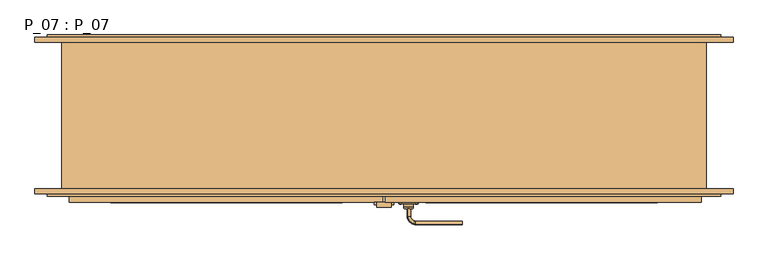
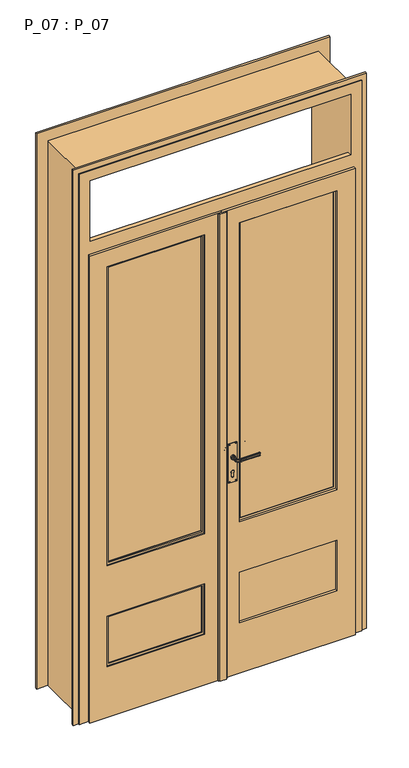
"""IFC4 building model written with IfcOpenShell, lengths in millimetres: door geometry, P_07 : P_07."""

from ifc_helpers import new_model, si_unit, point, frame, frame_2d, origin, origin_with_axes, place, context, project, spatial, polyline, circle_curve, ellipse_curve, trimmed, segment, composite_curve, outline, extrude, faceted_brep, source, transform, mapped, element, save
from ifc_brep_helpers import plane_surface, cylinder_surface, revolved_surface, extruded_surface, advanced_brep


def p_07_p_07_f3d39ce0(model_context):
    return source(origin(), model_context, "Body", "SolidModel", [
        advanced_brep(
        [(48.7372275, -131.5, 1137.25687), (49.5298534, -131.5, 1134.910789), (49.5298534, -131.5, 1125.089211), (48.1368721, -131.5, 1123.0401367), (160.0, -99.7372275, 1137.25687), (160.0, -99.1368721, 1123.0401367), (160.0, -100.5298534, 1125.089211), (160.0, -100.5298534, 1134.910789), (48.1368721, -116.0, 1123.0401367), (48.7372275, -116.0, 1137.25687), (65.0, -99.7372275, 1137.25687), (65.0, -99.1368721, 1123.0401367), (49.5298534, -116.0, 1134.910789), (49.5298534, -116.0, 1125.089211), (65.0, -100.5298534, 1134.910789), (65.0, -100.5298534, 1125.089211)],
        [
            (0, 1, circle_curve(frame((48.9710635, -131.5, 1136.0289365), z_axis=(0.0, -1.0, 0.0), x_axis=(-1.0, 0.0, 0.0)), 1.25)),
            (1, 2, ellipse_curve(frame((50.0, -131.5, 1130.0), z_axis=(0.0, 1.0, 0.0), x_axis=(1.0, 0.0, 0.0)), 2.5, 5.0)),
            (2, 3, circle_curve(frame((48.9710635, -131.5, 1123.9710635), z_axis=(0.0, -1.0, 0.0), x_axis=(-1.0, 0.0, 0.0)), 1.25)),
            (3, 0, ellipse_curve(frame((50.0, -131.5, 1130.0), z_axis=(0.0, -1.0, 0.0), x_axis=(0.0, 0.0, -1.0)), 7.5, 5.0)),
            (4, 5, ellipse_curve(frame((160.0, -101.0, 1130.0), z_axis=(1.0, 0.0, 0.0), x_axis=(0.0, 0.0, -1.0)), 7.5, 5.0)),
            (5, 6, circle_curve(frame((160.0, -99.9710635, 1123.9710635), z_axis=(1.0, 0.0, 0.0), x_axis=(0.0, 1.0, 0.0)), 1.25)),
            (6, 7, ellipse_curve(frame((160.0, -101.0, 1130.0), z_axis=(-1.0, 0.0, 0.0), x_axis=(0.0, -1.0, 0.0)), 2.5, 5.0)),
            (7, 4, circle_curve(frame((160.0, -99.9710635, 1136.0289365), z_axis=(1.0, 0.0, 0.0), x_axis=(0.0, 1.0, 0.0)), 1.25)),
            (3, 8),
            (8, 9, ellipse_curve(frame((50.0, -116.0, 1130.0), z_axis=(0.0, -1.0, 0.0), x_axis=(0.0, 0.0, -1.0)), 7.5, 5.0)),
            (9, 0),
            (10, 11, ellipse_curve(frame((65.0, -101.0, 1130.0), z_axis=(1.0, 0.0, 0.0), x_axis=(0.0, 0.0, -1.0)), 7.5, 5.0)),
            (11, 5),
            (4, 10),
            (9, 12, circle_curve(frame((48.9710635, -116.0, 1136.0289365), z_axis=(0.0, -1.0, 0.0), x_axis=(-1.0, 0.0, 0.0)), 1.25)),
            (12, 1),
            (12, 13, ellipse_curve(frame((50.0, -116.0, 1130.0), z_axis=(0.0, 1.0, 0.0), x_axis=(0.0, 0.0, -1.0)), 5.0, 2.5)),
            (13, 2),
            (13, 8, circle_curve(frame((48.9710635, -116.0, 1123.9710635), z_axis=(0.0, -1.0, 0.0), x_axis=(-1.0, 0.0, 0.0)), 1.25)),
            (14, 10, circle_curve(frame((65.0, -99.9710635, 1136.0289365), z_axis=(1.0, 0.0, 0.0), x_axis=(0.0, 1.0, 0.0)), 1.25)),
            (7, 14),
            (15, 14, ellipse_curve(frame((65.0, -101.0, 1130.0), z_axis=(-1.0, 0.0, 0.0), x_axis=(0.0, 0.0, -1.0)), 5.0, 2.5)),
            (6, 15),
            (11, 15, circle_curve(frame((65.0, -99.9710635, 1123.9710635), z_axis=(1.0, 0.0, 0.0), x_axis=(0.0, 1.0, 0.0)), 1.25)),
            (14, 12, circle_curve(frame((65.0, -116.0, 1134.910789), z_axis=(0.0, 0.0, 1.0), x_axis=(-1.0, 0.0, 0.0)), 15.4701466)),
            (9, 10, circle_curve(frame((65.0, -116.0, 1137.25687), z_axis=(0.0, 0.0, -1.0), x_axis=(-1.0, 0.0, 0.0)), 16.2627725)),
            (15, 13, circle_curve(frame((65.0, -116.0, 1125.089211), z_axis=(0.0, 0.0, 1.0), x_axis=(-1.0, 0.0, 0.0)), 15.4701466)),
            (11, 8, circle_curve(frame((65.0, -116.0, 1123.0401367), z_axis=(0.0, 0.0, 1.0), x_axis=(-1.0, 0.0, 0.0)), 16.8631279)),
        ],
        [
            plane_surface(frame((50.0, -131.5, 0.0), z_axis=(0.0, -1.0, 0.0), x_axis=(0.0, 0.0, 1.0))),
            plane_surface(frame((160.0, -101.0, 0.0), z_axis=(1.0, 0.0, 0.0), x_axis=(0.0, 0.0, 1.0))),
            extruded_surface(trimmed(ellipse_curve(frame((50.0, -116.0, 1130.0), z_axis=(0.0, -1.0, 0.0), x_axis=(0.0, 0.0, -1.0)), 7.5, 5.0), [point((48.1368721, -116.0, 1123.0401367))], [point((48.7372275, -116.0, 1137.25687))], True, "CARTESIAN"), (0.0, -15.5, 0.0), 15.5),
            extruded_surface(trimmed(ellipse_curve(frame((160.0, -101.0, 1130.0), z_axis=(-1.0, 0.0, 0.0), x_axis=(0.0, 0.0, -1.0)), 7.5, 5.0), [point((160.0, -99.1368721, 1123.0401367))], [point((160.0, -99.7372275, 1137.25687))], True, "CARTESIAN"), (-95.0, 0.0, 0.0), 95.0),
            cylinder_surface(frame((48.9710635, -131.5, 1136.0289365), z_axis=(0.0, -1.0, 0.0), x_axis=(-1.0, 0.0, 0.0)), 1.25),
            extruded_surface(trimmed(ellipse_curve(frame((50.0, -116.0, 1130.0), z_axis=(0.0, 1.0, 0.0), x_axis=(1.0, 0.0, 0.0)), 2.5, 5.0), [point((49.5298534, -116.0, 1134.910789))], [point((49.5298534, -116.0, 1125.089211))], True, "CARTESIAN"), (0.0, -15.5, 0.0), 15.5),
            cylinder_surface(frame((48.9710635, -131.5, 1123.9710635), z_axis=(0.0, -1.0, 0.0), x_axis=(-1.0, 0.0, 0.0)), 1.25),
            cylinder_surface(frame((65.0, -99.9710635, 1136.0289365), z_axis=(-1.0, 0.0, 0.0), x_axis=(0.0, 1.0, 0.0)), 1.25),
            extruded_surface(trimmed(ellipse_curve(frame((160.0, -101.0, 1130.0), z_axis=(1.0, 0.0, 0.0), x_axis=(0.0, -1.0, 0.0)), 2.5, 5.0), [point((160.0, -100.5298534, 1134.910789))], [point((160.0, -100.5298534, 1125.089211))], True, "CARTESIAN"), (-95.0, 0.0, 0.0), 95.0),
            cylinder_surface(frame((65.0, -99.9710635, 1123.9710635), z_axis=(-1.0, 0.0, 0.0), x_axis=(0.0, 1.0, 0.0)), 1.25),
            revolved_surface(trimmed(ellipse_curve(frame((48.9710635, -116.0, 1136.0289365), z_axis=(0.0, -1.0, 0.0), x_axis=(-1.0, 0.0, 0.0)), 1.25, 1.25), [point((48.7372275, -116.0, 1137.25687))], [point((49.5298534, -116.0, 1134.910789))], True, "CARTESIAN"), (65.0, -116.0, 0.0), (0.0, 0.0, -1.0)),
            revolved_surface(trimmed(ellipse_curve(frame((50.0, -116.0, 1130.0), z_axis=(0.0, 1.0, 0.0), x_axis=(1.0, 0.0, 0.0)), 2.5, 5.0), [point((49.5298534, -116.0, 1134.910789))], [point((49.5298534, -116.0, 1125.089211))], True, "CARTESIAN"), (65.0, -116.0, 0.0), (0.0, 0.0, -1.0)),
            revolved_surface(trimmed(ellipse_curve(frame((48.9710635, -116.0, 1123.9710635), z_axis=(0.0, -1.0, 0.0), x_axis=(-1.0, 0.0, 0.0)), 1.25, 1.25), [point((49.5298534, -116.0, 1125.089211))], [point((48.1368721, -116.0, 1123.0401367))], True, "CARTESIAN"), (65.0, -116.0, 0.0), (0.0, 0.0, -1.0)),
            revolved_surface(trimmed(ellipse_curve(frame((50.0, -116.0, 1130.0), z_axis=(0.0, -1.0, 0.0), x_axis=(0.0, 0.0, -1.0)), 7.5, 5.0), [point((48.1368721, -116.0, 1123.0401367))], [point((48.7372275, -116.0, 1137.25687))], True, "CARTESIAN"), (65.0, -116.0, 0.0), (0.0, 0.0, -1.0)),
        ],
        [
            (0, [[1, 2, 3, 4]]),
            (1, [[5, 6, 7, 8]]),
            (2, [[-4, 9, 10, 11]]),
            (3, [[12, 13, -5, 14]]),
            (4, [[-1, -11, 15, 16]]),
            (5, [[-2, -16, 17, 18]]),
            (6, [[-3, -18, 19, -9]]),
            (7, [[20, -14, -8, 21]]),
            (8, [[22, -21, -7, 23]]),
            (9, [[24, -23, -6, -13]]),
            (10, [[25, -15, 26, -20]]),
            (11, [[27, -17, -25, -22]]),
            (12, [[28, -19, -27, -24]]),
            (13, [[-26, -10, -28, -12]]),
        ],
    ),
        advanced_brep(
        [(57.5, -131.5, 1130.0), (42.5, -131.5, 1130.0), (50.0, -131.5, 1130.0), (60.0, -134.0, 1130.0), (40.0, -134.0, 1130.0), (60.0, -141.0, 1130.0), (40.0, -141.0, 1130.0), (50.0, -141.0, 1130.0)],
        [
            (0, 1, circle_curve(frame((50.0, -131.5, 1130.0), z_axis=(0.0, 1.0, 0.0), x_axis=(-1.0, 0.0, 0.0)), 7.5)),
            (1, 2),
            (2, 0),
            (1, 0, circle_curve(frame((50.0, -131.5, 1130.0), z_axis=(0.0, 1.0, 0.0), x_axis=(-1.0, 0.0, 0.0)), 7.5)),
            (3, 4, circle_curve(frame((50.0, -134.0, 1130.0), z_axis=(0.0, 1.0, 0.0), x_axis=(-1.0, 0.0, 0.0)), 10.0)),
            (4, 1, circle_curve(frame((42.5, -134.0, 1130.0), z_axis=(0.0, 0.0, -1.0), x_axis=(1.0, 0.0, 0.0)), 2.5)),
            (0, 3, circle_curve(frame((57.5, -134.0, 1130.0), z_axis=(0.0, 0.0, -1.0), x_axis=(-1.0, 0.0, 0.0)), 2.5)),
            (4, 3, circle_curve(frame((50.0, -134.0, 1130.0), z_axis=(0.0, 1.0, 0.0), x_axis=(-1.0, 0.0, 0.0)), 10.0)),
            (5, 6, circle_curve(frame((50.0, -141.0, 1130.0), z_axis=(0.0, 1.0, 0.0), x_axis=(-1.0, 0.0, 0.0)), 10.0)),
            (6, 4),
            (3, 5),
            (6, 5, circle_curve(frame((50.0, -141.0, 1130.0), z_axis=(0.0, 1.0, 0.0), x_axis=(-1.0, 0.0, 0.0)), 10.0)),
            (7, 6),
            (5, 7),
        ],
        [
            plane_surface(frame((50.0, -131.5, 1130.0), z_axis=(0.0, 1.0, 0.0), x_axis=(-1.0, 0.0, 0.0))),
            revolved_surface(trimmed(ellipse_curve(frame((42.5, -134.0, 1130.0), z_axis=(0.0, 0.0, 1.0), x_axis=(1.0, 0.0, 0.0)), 2.5, 2.5), [point((42.5, -131.5, 1130.0))], [point((40.0, -134.0, 1130.0))], True, "CARTESIAN"), (50.0, -134.0, 1130.0), (0.0, -1.0, 0.0)),
            cylinder_surface(frame((50.0, -134.0, 1130.0), z_axis=(0.0, -1.0, 0.0), x_axis=(-1.0, 0.0, 0.0)), 10.0),
            plane_surface(frame((50.0, -141.0, 1130.0), z_axis=(0.0, -1.0, 0.0), x_axis=(-1.0, 0.0, 0.0))),
        ],
        [
            (0, [[1, 2, 3]]),
            (0, [[4, -3, -2]]),
            (1, [[5, 6, -1, 7]]),
            (1, [[8, -7, -4, -6]]),
            (2, [[9, 10, -5, 11]]),
            (2, [[12, -11, -8, -10]]),
            (3, [[13, -9, 14]]),
            (3, [[-14, -12, -13]]),
        ],
    ),
        advanced_brep(
        [(31.7615156, -141.0, 1004.0384844), (36.2384844, -141.0, 1004.0384844), (34.0, -141.0, 1004.0384844), (34.0, -140.0934411, 1004.0384844)],
        [
            (0, 1, circle_curve(frame((34.0, -141.0, 1004.0384844), z_axis=(0.0, -1.0, 0.0), x_axis=(1.0, 0.0, 0.0)), 2.2384844)),
            (1, 2),
            (2, 0),
            (1, 0, circle_curve(frame((34.0, -141.0, 1004.0384844), z_axis=(0.0, -1.0, 0.0), x_axis=(1.0, 0.0, 0.0)), 2.2384844)),
            (3, 1, circle_curve(frame((34.0, -143.3103648, 1004.0384844), z_axis=(0.0, 0.0, -1.0), x_axis=(0.0, 1.0, 0.0)), 3.2169236)),
            (0, 3, circle_curve(frame((34.0, -143.3103648, 1004.0384844), z_axis=(0.0, 0.0, -1.0), x_axis=(0.0, 1.0, 0.0)), 3.2169236)),
        ],
        [
            plane_surface(frame((34.0, -141.0, 1004.0384844), z_axis=(0.0, -1.0, 0.0), x_axis=(1.0, 0.0, 0.0))),
            revolved_surface(trimmed(ellipse_curve(frame((34.0, -143.3103648, 1004.0384844), z_axis=(0.0, 0.0, 1.0), x_axis=(0.0, 1.0, 0.0)), 3.2169236, 3.2169236), [point((36.2384844, -141.0, 1004.0384844))], [point((34.0, -140.0934411, 1004.0384844))], True, "CARTESIAN"), (34.0, -146.6130164, 1004.0384844), (0.0, 1.0, 0.0)),
        ],
        [
            (0, [[1, 2, 3]]),
            (0, [[4, -3, -2]]),
            (1, [[5, -1, 6]]),
            (1, [[-6, -4, -5]]),
        ],
    ),
        advanced_brep(
        [(66.0, -141.0, 1004.0384844), (63.7615156, -141.0, 1004.0384844), (68.2384844, -141.0, 1004.0384844), (66.0, -140.0934411, 1004.0384844)],
        [
            (0, 1),
            (1, 2, circle_curve(frame((66.0, -141.0, 1004.0384844), z_axis=(0.0, -1.0, 0.0), x_axis=(-1.0, 0.0, 0.0)), 2.2384844)),
            (2, 0),
            (2, 1, circle_curve(frame((66.0, -141.0, 1004.0384844), z_axis=(0.0, -1.0, 0.0), x_axis=(-1.0, 0.0, 0.0)), 2.2384844)),
            (1, 3, circle_curve(frame((66.0, -143.3103648, 1004.0384844), z_axis=(0.0, 0.0, -1.0), x_axis=(0.0, -1.0, 0.0)), 3.2169236)),
            (3, 2, circle_curve(frame((66.0, -143.3103648, 1004.0384844), z_axis=(0.0, 0.0, -1.0), x_axis=(0.0, -1.0, 0.0)), 3.2169236)),
        ],
        [
            plane_surface(frame((66.0, -141.0, 1004.0384844), z_axis=(0.0, -1.0, 0.0), x_axis=(-1.0, 0.0, 0.0))),
            revolved_surface(trimmed(ellipse_curve(frame((66.0, -143.3103648, 1004.0384844), z_axis=(0.0, 0.0, 1.0), x_axis=(0.0, -1.0, 0.0)), 3.2169236, 3.2169236), [point((66.0, -140.0934411, 1004.0384844))], [point((63.7615156, -141.0, 1004.0384844))], True, "CARTESIAN"), (66.0, -146.6130164, 1004.0384844), (0.0, -1.0, 0.0)),
        ],
        [
            (0, [[1, 2, 3]]),
            (0, [[-3, 4, -1]]),
            (1, [[-2, 5, 6]]),
            (1, [[-4, -6, -5]]),
        ],
    ),
        advanced_brep(
        [(31.7615156, -141.0, 1195.9615156), (36.2384844, -141.0, 1195.9615156), (34.0, -141.0, 1195.9615156), (34.0, -140.0934411, 1195.9615156)],
        [
            (0, 1, circle_curve(frame((34.0, -141.0, 1195.9615156), z_axis=(0.0, -1.0, 0.0), x_axis=(1.0, 0.0, 0.0)), 2.2384844)),
            (1, 2),
            (2, 0),
            (1, 0, circle_curve(frame((34.0, -141.0, 1195.9615156), z_axis=(0.0, -1.0, 0.0), x_axis=(1.0, 0.0, 0.0)), 2.2384844)),
            (3, 1, circle_curve(frame((34.0, -143.3103648, 1195.9615156), z_axis=(0.0, 0.0, -1.0), x_axis=(-1.0, 0.0, 0.0)), 3.2169236)),
            (0, 3, circle_curve(frame((34.0, -143.3103648, 1195.9615156), z_axis=(0.0, 0.0, -1.0), x_axis=(1.0, 0.0, 0.0)), 3.2169236)),
        ],
        [
            plane_surface(frame((34.0, -141.0, 1195.9615156), z_axis=(0.0, -1.0, 0.0), x_axis=(1.0, 0.0, 0.0))),
            revolved_surface(trimmed(ellipse_curve(frame((34.0, -143.3103648, 1195.9615156), z_axis=(0.0, 0.0, 1.0), x_axis=(-1.0, 0.0, 0.0)), 3.2169236, 3.2169236), [point((36.2384844, -141.0, 1195.9615156))], [point((34.0, -140.0934411, 1195.9615156))], True, "CARTESIAN"), (34.0, -146.6130164, 1195.9615156), (0.0, 1.0, 0.0)),
        ],
        [
            (0, [[1, 2, 3]]),
            (0, [[4, -3, -2]]),
            (1, [[5, -1, 6]]),
            (1, [[-6, -4, -5]]),
        ],
    ),
        advanced_brep(
        [(66.0, -141.0, 1195.9615156), (63.7615156, -141.0, 1195.9615156), (68.2384844, -141.0, 1195.9615156), (66.0, -140.0934411, 1195.9615156)],
        [
            (0, 1),
            (1, 2, circle_curve(frame((66.0, -141.0, 1195.9615156), z_axis=(0.0, -1.0, 0.0), x_axis=(-1.0, 0.0, 0.0)), 2.2384844)),
            (2, 0),
            (2, 1, circle_curve(frame((66.0, -141.0, 1195.9615156), z_axis=(0.0, -1.0, 0.0), x_axis=(-1.0, 0.0, 0.0)), 2.2384844)),
            (1, 3, circle_curve(frame((66.0, -143.3103648, 1195.9615156), z_axis=(0.0, 0.0, -1.0), x_axis=(1.0, 0.0, 0.0)), 3.2169236)),
            (3, 2, circle_curve(frame((66.0, -143.3103648, 1195.9615156), z_axis=(0.0, 0.0, -1.0), x_axis=(-1.0, 0.0, 0.0)), 3.2169236)),
        ],
        [
            plane_surface(frame((66.0, -141.0, 1195.9615156), z_axis=(0.0, -1.0, 0.0), x_axis=(-1.0, 0.0, 0.0))),
            revolved_surface(trimmed(ellipse_curve(frame((66.0, -143.3103648, 1195.9615156), z_axis=(0.0, 0.0, 1.0), x_axis=(1.0, 0.0, 0.0)), 3.2169236, 3.2169236), [point((66.0, -140.0934411, 1195.9615156))], [point((63.7615156, -141.0, 1195.9615156))], True, "CARTESIAN"), (66.0, -146.6130164, 1195.9615156), (0.0, -1.0, 0.0)),
        ],
        [
            (0, [[1, 2, 3]]),
            (0, [[-3, 4, -1]]),
            (1, [[-2, 5, 6]]),
            (1, [[-4, -6, -5]]),
        ],
    ),
        extrude(outline(composite_curve([segment(trimmed(circle_curve(frame_2d((1196.0, 66.0)), 2.0), [point((1196.0, 68.0))], [point((1196.0, 64.0))], False, "CARTESIAN"), True, "CONTINUOUS"), segment(trimmed(circle_curve(frame_2d((1196.0, 66.0)), 2.0), [point((1196.0, 64.0))], [point((1196.0, 68.0))], False, "CARTESIAN"), True, "CONTINUOUS")], self_intersect=False)), frame((0.0, -144.0, 0.0), z_axis=(0.0, 1.0, 0.0), x_axis=(0.0, 0.0, 1.0)), (0.0, 0.0, 1.0), 3.0),
        extrude(outline(composite_curve([segment(trimmed(circle_curve(frame_2d((1196.0, 34.0)), 2.0), [point((1196.0, 32.0))], [point((1196.0, 36.0))], False, "CARTESIAN"), True, "CONTINUOUS"), segment(trimmed(circle_curve(frame_2d((1196.0, 34.0)), 2.0), [point((1196.0, 36.0))], [point((1196.0, 32.0))], False, "CARTESIAN"), True, "CONTINUOUS")], self_intersect=False)), frame((0.0, -144.0, 0.0), z_axis=(0.0, 1.0, 0.0), x_axis=(0.0, 0.0, 1.0)), (0.0, 0.0, 1.0), 3.0),
        extrude(outline(composite_curve([segment(trimmed(circle_curve(frame_2d((1004.0, 66.0)), 2.0), [point((1004.0, 64.0))], [point((1004.0, 68.0))], False, "CARTESIAN"), True, "CONTINUOUS"), segment(trimmed(circle_curve(frame_2d((1004.0, 66.0)), 2.0), [point((1004.0, 68.0))], [point((1004.0, 64.0))], False, "CARTESIAN"), True, "CONTINUOUS")], self_intersect=False)), frame((0.0, -144.0, 0.0), z_axis=(0.0, 1.0, 0.0), x_axis=(0.0, 0.0, 1.0)), (0.0, 0.0, 1.0), 3.0),
        extrude(outline(composite_curve([segment(trimmed(circle_curve(frame_2d((1004.0, 34.0)), 2.0), [point((1004.0, 32.0))], [point((1004.0, 36.0))], False, "CARTESIAN"), True, "CONTINUOUS"), segment(trimmed(circle_curve(frame_2d((1004.0, 34.0)), 2.0), [point((1004.0, 36.0))], [point((1004.0, 32.0))], False, "CARTESIAN"), True, "CONTINUOUS")], self_intersect=False)), frame((0.0, -144.0, 0.0), z_axis=(0.0, 1.0, 0.0), x_axis=(0.0, 0.0, 1.0)), (0.0, 0.0, 1.0), 3.0),
        extrude(outline(composite_curve([segment(polyline([(1046.9098301, 45.0), (1030.0, 45.0)]), True, "CONTINUOUS"), segment(trimmed(circle_curve(frame_2d((1030.0, 50.0)), 5.0), [point((1030.0, 45.0))], [point((1030.0, 55.0))], False, "CARTESIAN"), True, "CONTINUOUS"), segment(polyline([(1030.0, 55.0), (1046.9098301, 55.0)]), True, "CONTINUOUS"), segment(trimmed(circle_curve(frame_2d((1052.5, 50.0)), 7.5), [point((1046.9098301, 55.0))], [point((1046.9098301, 45.0))], False, "CARTESIAN"), True, "CONTINUOUS")], self_intersect=False)), frame((0.0, -144.0, 0.0), z_axis=(0.0, 1.0, 0.0), x_axis=(0.0, 0.0, 1.0)), (0.0, 0.0, 1.0), 2.0),
        extrude(outline(polyline([(1200.0, 30.0), (1000.0, 30.0), (1000.0, 70.0), (1200.0, 70.0), (1200.0, 30.0)]), holes=[composite_curve([segment(polyline([(1046.9098301, 55.0), (1030.0, 55.0)]), True, "CONTINUOUS"), segment(trimmed(circle_curve(frame_2d((1030.0, 50.0)), 5.0), [point((1030.0, 55.0))], [point((1030.0, 45.0))], True, "CARTESIAN"), True, "CONTINUOUS"), segment(polyline([(1030.0, 45.0), (1046.9098301, 45.0)]), True, "CONTINUOUS"), segment(trimmed(circle_curve(frame_2d((1052.5, 50.0)), 7.5), [point((1046.9098301, 45.0))], [point((1046.9098301, 55.0))], True, "CARTESIAN"), True, "CONTINUOUS")], self_intersect=False), composite_curve([segment(trimmed(circle_curve(frame_2d((1004.0, 66.0)), 2.0), [point((1004.0, 68.0))], [point((1004.0, 64.0))], True, "CARTESIAN"), True, "CONTINUOUS"), segment(trimmed(circle_curve(frame_2d((1004.0, 66.0)), 2.0), [point((1004.0, 64.0))], [point((1004.0, 68.0))], True, "CARTESIAN"), True, "CONTINUOUS")], self_intersect=False), composite_curve([segment(trimmed(circle_curve(frame_2d((1004.0, 34.0)), 2.0), [point((1004.0, 36.0))], [point((1004.0, 32.0))], True, "CARTESIAN"), True, "CONTINUOUS"), segment(trimmed(circle_curve(frame_2d((1004.0, 34.0)), 2.0), [point((1004.0, 32.0))], [point((1004.0, 36.0))], True, "CARTESIAN"), True, "CONTINUOUS")], self_intersect=False), composite_curve([segment(trimmed(circle_curve(frame_2d((1196.0, 66.0)), 2.0), [point((1196.0, 68.0))], [point((1196.0, 64.0))], True, "CARTESIAN"), True, "CONTINUOUS"), segment(trimmed(circle_curve(frame_2d((1196.0, 66.0)), 2.0), [point((1196.0, 64.0))], [point((1196.0, 68.0))], True, "CARTESIAN"), True, "CONTINUOUS")], self_intersect=False), composite_curve([segment(trimmed(circle_curve(frame_2d((1196.0, 34.0)), 2.0), [point((1196.0, 36.0))], [point((1196.0, 32.0))], True, "CARTESIAN"), True, "CONTINUOUS"), segment(trimmed(circle_curve(frame_2d((1196.0, 34.0)), 2.0), [point((1196.0, 32.0))], [point((1196.0, 36.0))], True, "CARTESIAN"), True, "CONTINUOUS")], self_intersect=False)]), frame((0.0, -144.0, 0.0), z_axis=(0.0, 1.0, 0.0), x_axis=(0.0, 0.0, 1.0)), (0.0, 0.0, 1.0), 3.0),
        advanced_brep(
        [(48.7372275, -190.5, 1137.25687), (48.1368721, -190.5, 1123.0401367), (49.5298534, -190.5, 1125.089211), (49.5298534, -190.5, 1134.910789), (160.0, -222.2627725, 1137.25687), (160.0, -221.4701466, 1134.910789), (160.0, -221.4701466, 1125.089211), (160.0, -222.8631279, 1123.0401367), (48.7372275, -206.0, 1137.25687), (48.1368721, -206.0, 1123.0401367), (65.0, -222.2627725, 1137.25687), (65.0, -222.8631279, 1123.0401367), (49.5298534, -206.0, 1134.910789), (49.5298534, -206.0, 1125.089211), (65.0, -221.4701466, 1134.910789), (65.0, -221.4701466, 1125.089211)],
        [
            (0, 1, ellipse_curve(frame((50.0, -190.5, 1130.0), z_axis=(0.0, 1.0, 0.0), x_axis=(0.0, 0.0, -1.0)), 7.5, 5.0)),
            (1, 2, circle_curve(frame((48.9710635, -190.5, 1123.9710635), z_axis=(0.0, 1.0, 0.0), x_axis=(-1.0, 0.0, 0.0)), 1.25)),
            (2, 3, ellipse_curve(frame((50.0, -190.5, 1130.0), z_axis=(0.0, -1.0, 0.0), x_axis=(1.0, 0.0, 0.0)), 2.5, 5.0)),
            (3, 0, circle_curve(frame((48.9710635, -190.5, 1136.0289365), z_axis=(0.0, 1.0, 0.0), x_axis=(-1.0, 0.0, 0.0)), 1.25)),
            (4, 5, circle_curve(frame((160.0, -222.0289365, 1136.0289365), z_axis=(1.0, 0.0, 0.0), x_axis=(0.0, -1.0, 0.0)), 1.25)),
            (5, 6, ellipse_curve(frame((160.0, -221.0, 1130.0), z_axis=(-1.0, 0.0, 0.0), x_axis=(0.0, 1.0, 0.0)), 2.5, 5.0)),
            (6, 7, circle_curve(frame((160.0, -222.0289365, 1123.9710635), z_axis=(1.0, 0.0, 0.0), x_axis=(0.0, -1.0, 0.0)), 1.25)),
            (7, 4, ellipse_curve(frame((160.0, -221.0, 1130.0), z_axis=(1.0, 0.0, 0.0), x_axis=(0.0, 0.0, -1.0)), 7.5, 5.0)),
            (0, 8),
            (8, 9, ellipse_curve(frame((50.0, -206.0, 1130.0), z_axis=(0.0, 1.0, 0.0), x_axis=(0.0, 0.0, -1.0)), 7.5, 5.0)),
            (9, 1),
            (10, 4),
            (7, 11),
            (11, 10, ellipse_curve(frame((65.0, -221.0, 1130.0), z_axis=(1.0, 0.0, 0.0), x_axis=(0.0, 0.0, -1.0)), 7.5, 5.0)),
            (3, 12),
            (12, 8, circle_curve(frame((48.9710635, -206.0, 1136.0289365), z_axis=(0.0, 1.0, 0.0), x_axis=(-1.0, 0.0, 0.0)), 1.25)),
            (2, 13),
            (13, 12, ellipse_curve(frame((50.0, -206.0, 1130.0), z_axis=(0.0, -1.0, 0.0), x_axis=(0.0, 0.0, -1.0)), 5.0, 2.5)),
            (9, 13, circle_curve(frame((48.9710635, -206.0, 1123.9710635), z_axis=(0.0, 1.0, 0.0), x_axis=(-1.0, 0.0, 0.0)), 1.25)),
            (14, 5),
            (10, 14, circle_curve(frame((65.0, -222.0289365, 1136.0289365), z_axis=(1.0, 0.0, 0.0), x_axis=(0.0, -1.0, 0.0)), 1.25)),
            (15, 6),
            (14, 15, ellipse_curve(frame((65.0, -221.0, 1130.0), z_axis=(-1.0, 0.0, 0.0), x_axis=(0.0, 0.0, -1.0)), 5.0, 2.5)),
            (15, 11, circle_curve(frame((65.0, -222.0289365, 1123.9710635), z_axis=(1.0, 0.0, 0.0), x_axis=(0.0, -1.0, 0.0)), 1.25)),
            (10, 8, circle_curve(frame((65.0, -206.0, 1137.25687), z_axis=(0.0, 0.0, -1.0), x_axis=(-1.0, 0.0, 0.0)), 16.2627725)),
            (12, 14, circle_curve(frame((65.0, -206.0, 1134.910789), z_axis=(0.0, 0.0, 1.0), x_axis=(-1.0, 0.0, 0.0)), 15.4701466)),
            (13, 15, circle_curve(frame((65.0, -206.0, 1125.089211), z_axis=(0.0, 0.0, 1.0), x_axis=(-1.0, 0.0, 0.0)), 15.4701466)),
            (9, 11, circle_curve(frame((65.0, -206.0, 1123.0401367), z_axis=(0.0, 0.0, 1.0), x_axis=(-1.0, 0.0, 0.0)), 16.8631279)),
        ],
        [
            plane_surface(frame((50.0, -190.5, 0.0), z_axis=(0.0, 1.0, 0.0), x_axis=(0.0, 0.0, 1.0))),
            plane_surface(frame((160.0, -221.0, 0.0), z_axis=(1.0, 0.0, 0.0), x_axis=(0.0, 0.0, 1.0))),
            extruded_surface(trimmed(ellipse_curve(frame((50.0, -190.5, 1130.0), z_axis=(0.0, -1.0, 0.0), x_axis=(0.0, 0.0, -1.0)), 7.5, 5.0), [point((48.1368721, -190.5, 1123.0401367))], [point((48.7372275, -190.5, 1137.25687))], True, "CARTESIAN"), (0.0, -15.5, 0.0), 15.5),
            extruded_surface(trimmed(ellipse_curve(frame((65.0, -221.0, 1130.0), z_axis=(1.0, 0.0, 0.0), x_axis=(0.0, 0.0, -1.0)), 7.5, 5.0), [point((65.0, -222.8631279, 1123.0401367))], [point((65.0, -222.2627725, 1137.25687))], True, "CARTESIAN"), (95.0, 0.0, 0.0), 95.0),
            cylinder_surface(frame((48.9710635, -190.5, 1136.0289365), z_axis=(0.0, 1.0, 0.0), x_axis=(-1.0, 0.0, 0.0)), 1.25),
            extruded_surface(trimmed(ellipse_curve(frame((50.0, -190.5, 1130.0), z_axis=(0.0, 1.0, 0.0), x_axis=(1.0, 0.0, 0.0)), 2.5, 5.0), [point((49.5298534, -190.5, 1134.910789))], [point((49.5298534, -190.5, 1125.089211))], True, "CARTESIAN"), (0.0, -15.5, 0.0), 15.5),
            cylinder_surface(frame((48.9710635, -190.5, 1123.9710635), z_axis=(0.0, 1.0, 0.0), x_axis=(-1.0, 0.0, 0.0)), 1.25),
            cylinder_surface(frame((65.0, -222.0289365, 1136.0289365), z_axis=(-1.0, 0.0, 0.0), x_axis=(0.0, -1.0, 0.0)), 1.25),
            extruded_surface(trimmed(ellipse_curve(frame((65.0, -221.0, 1130.0), z_axis=(-1.0, 0.0, 0.0), x_axis=(0.0, 1.0, 0.0)), 2.5, 5.0), [point((65.0, -221.4701466, 1134.910789))], [point((65.0, -221.4701466, 1125.089211))], True, "CARTESIAN"), (95.0, 0.0, 0.0), 95.0),
            cylinder_surface(frame((65.0, -222.0289365, 1123.9710635), z_axis=(-1.0, 0.0, 0.0), x_axis=(0.0, -1.0, 0.0)), 1.25),
            revolved_surface(trimmed(ellipse_curve(frame((48.9710635, -206.0, 1136.0289365), z_axis=(0.0, -1.0, 0.0), x_axis=(-1.0, 0.0, 0.0)), 1.25, 1.25), [point((48.7372275, -206.0, 1137.25687))], [point((49.5298534, -206.0, 1134.910789))], True, "CARTESIAN"), (65.0, -206.0, 0.0), (0.0, 0.0, -1.0)),
            revolved_surface(trimmed(ellipse_curve(frame((50.0, -206.0, 1130.0), z_axis=(0.0, 1.0, 0.0), x_axis=(1.0, 0.0, 0.0)), 2.5, 5.0), [point((49.5298534, -206.0, 1134.910789))], [point((49.5298534, -206.0, 1125.089211))], True, "CARTESIAN"), (65.0, -206.0, 0.0), (0.0, 0.0, -1.0)),
            revolved_surface(trimmed(ellipse_curve(frame((48.9710635, -206.0, 1123.9710635), z_axis=(0.0, -1.0, 0.0), x_axis=(-1.0, 0.0, 0.0)), 1.25, 1.25), [point((49.5298534, -206.0, 1125.089211))], [point((48.1368721, -206.0, 1123.0401367))], True, "CARTESIAN"), (65.0, -206.0, 0.0), (0.0, 0.0, -1.0)),
            revolved_surface(trimmed(ellipse_curve(frame((50.0, -206.0, 1130.0), z_axis=(0.0, -1.0, 0.0), x_axis=(0.0, 0.0, -1.0)), 7.5, 5.0), [point((48.1368721, -206.0, 1123.0401367))], [point((48.7372275, -206.0, 1137.25687))], True, "CARTESIAN"), (65.0, -206.0, 0.0), (0.0, 0.0, -1.0)),
        ],
        [
            (0, [[1, 2, 3, 4]]),
            (1, [[5, 6, 7, 8]]),
            (2, [[9, 10, 11, -1]]),
            (3, [[12, -8, 13, 14]]),
            (4, [[15, 16, -9, -4]]),
            (5, [[17, 18, -15, -3]]),
            (6, [[-11, 19, -17, -2]]),
            (7, [[20, -5, -12, 21]]),
            (8, [[22, -6, -20, 23]]),
            (9, [[-13, -7, -22, 24]]),
            (10, [[-21, 25, -16, 26]]),
            (11, [[-23, -26, -18, 27]]),
            (12, [[-24, -27, -19, 28]]),
            (13, [[-14, -28, -10, -25]]),
        ],
    ),
        advanced_brep(
        [(57.5, -190.5, 1130.0), (50.0, -190.5, 1130.0), (42.5, -190.5, 1130.0), (60.0, -188.0, 1130.0), (40.0, -188.0, 1130.0), (60.0, -181.0, 1130.0), (40.0, -181.0, 1130.0), (50.0, -181.0, 1130.0)],
        [
            (0, 1),
            (1, 2),
            (2, 0, circle_curve(frame((50.0, -190.5, 1130.0), z_axis=(0.0, -1.0, 0.0), x_axis=(-1.0, 0.0, 0.0)), 7.5)),
            (0, 2, circle_curve(frame((50.0, -190.5, 1130.0), z_axis=(0.0, -1.0, 0.0), x_axis=(-1.0, 0.0, 0.0)), 7.5)),
            (3, 0, circle_curve(frame((57.5, -188.0, 1130.0), z_axis=(0.0, 0.0, -1.0), x_axis=(-1.0, 0.0, 0.0)), 2.5)),
            (2, 4, circle_curve(frame((42.5, -188.0, 1130.0), z_axis=(0.0, 0.0, -1.0), x_axis=(1.0, 0.0, 0.0)), 2.5)),
            (4, 3, circle_curve(frame((50.0, -188.0, 1130.0), z_axis=(0.0, -1.0, 0.0), x_axis=(-1.0, 0.0, 0.0)), 10.0)),
            (3, 4, circle_curve(frame((50.0, -188.0, 1130.0), z_axis=(0.0, -1.0, 0.0), x_axis=(-1.0, 0.0, 0.0)), 10.0)),
            (5, 3),
            (4, 6),
            (6, 5, circle_curve(frame((50.0, -181.0, 1130.0), z_axis=(0.0, -1.0, 0.0), x_axis=(-1.0, 0.0, 0.0)), 10.0)),
            (5, 6, circle_curve(frame((50.0, -181.0, 1130.0), z_axis=(0.0, -1.0, 0.0), x_axis=(-1.0, 0.0, 0.0)), 10.0)),
            (7, 5),
            (6, 7),
        ],
        [
            plane_surface(frame((50.0, -190.5, 1130.0), z_axis=(0.0, -1.0, 0.0), x_axis=(-1.0, 0.0, 0.0))),
            revolved_surface(trimmed(ellipse_curve(frame((42.5, -188.0, 1130.0), z_axis=(0.0, 0.0, -1.0), x_axis=(1.0, 0.0, 0.0)), 2.5, 2.5), [point((42.5, -190.5, 1130.0))], [point((40.0, -188.0, 1130.0))], True, "CARTESIAN"), (50.0, -188.0, 1130.0), (0.0, 1.0, 0.0)),
            cylinder_surface(frame((50.0, -188.0, 1130.0), z_axis=(0.0, 1.0, 0.0), x_axis=(-1.0, 0.0, 0.0)), 10.0),
            plane_surface(frame((50.0, -181.0, 1130.0), z_axis=(0.0, 1.0, 0.0), x_axis=(-1.0, 0.0, 0.0))),
        ],
        [
            (0, [[1, 2, 3]]),
            (0, [[-2, -1, 4]]),
            (1, [[5, -3, 6, 7]]),
            (1, [[-6, -4, -5, 8]]),
            (2, [[9, -7, 10, 11]]),
            (2, [[-10, -8, -9, 12]]),
            (3, [[13, -11, 14]]),
            (3, [[-14, -12, -13]]),
        ],
    ),
        advanced_brep(
        [(31.7615156, -181.0, 1004.0384844), (34.0, -181.0, 1004.0384844), (36.2384844, -181.0, 1004.0384844), (34.0, -181.9065589, 1004.0384844)],
        [
            (0, 1),
            (1, 2),
            (2, 0, circle_curve(frame((34.0, -181.0, 1004.0384844), z_axis=(0.0, 1.0, 0.0), x_axis=(1.0, 0.0, 0.0)), 2.2384844)),
            (0, 2, circle_curve(frame((34.0, -181.0, 1004.0384844), z_axis=(0.0, 1.0, 0.0), x_axis=(1.0, 0.0, 0.0)), 2.2384844)),
            (3, 0, circle_curve(frame((34.0, -178.6896352, 1004.0384844), z_axis=(0.0, 0.0, -1.0), x_axis=(0.0, -1.0, 0.0)), 3.2169236)),
            (2, 3, circle_curve(frame((34.0, -178.6896352, 1004.0384844), z_axis=(0.0, 0.0, -1.0), x_axis=(0.0, -1.0, 0.0)), 3.2169236)),
        ],
        [
            plane_surface(frame((34.0, -181.0, 1004.0384844), z_axis=(0.0, 1.0, 0.0), x_axis=(1.0, 0.0, 0.0))),
            revolved_surface(trimmed(ellipse_curve(frame((34.0, -178.6896352, 1004.0384844), z_axis=(0.0, 0.0, -1.0), x_axis=(0.0, -1.0, 0.0)), 3.2169236, 3.2169236), [point((36.2384844, -181.0, 1004.0384844))], [point((34.0, -181.9065589, 1004.0384844))], True, "CARTESIAN"), (34.0, -175.3869836, 1004.0384844), (0.0, -1.0, 0.0)),
        ],
        [
            (0, [[1, 2, 3]]),
            (0, [[-2, -1, 4]]),
            (1, [[5, -3, 6]]),
            (1, [[-6, -4, -5]]),
        ],
    ),
        advanced_brep(
        [(66.0, -181.0, 1004.0384844), (68.2384844, -181.0, 1004.0384844), (63.7615156, -181.0, 1004.0384844), (66.0, -181.9065589, 1004.0384844)],
        [
            (0, 1),
            (1, 2, circle_curve(frame((66.0, -181.0, 1004.0384844), z_axis=(0.0, 1.0, 0.0), x_axis=(-1.0, 0.0, 0.0)), 2.2384844)),
            (2, 0),
            (2, 1, circle_curve(frame((66.0, -181.0, 1004.0384844), z_axis=(0.0, 1.0, 0.0), x_axis=(-1.0, 0.0, 0.0)), 2.2384844)),
            (1, 3, circle_curve(frame((66.0, -178.6896352, 1004.0384844), z_axis=(0.0, 0.0, -1.0), x_axis=(0.0, 1.0, 0.0)), 3.2169236)),
            (3, 2, circle_curve(frame((66.0, -178.6896352, 1004.0384844), z_axis=(0.0, 0.0, -1.0), x_axis=(0.0, 1.0, 0.0)), 3.2169236)),
        ],
        [
            plane_surface(frame((66.0, -181.0, 1004.0384844), z_axis=(0.0, 1.0, 0.0), x_axis=(-1.0, 0.0, 0.0))),
            revolved_surface(trimmed(ellipse_curve(frame((66.0, -178.6896352, 1004.0384844), z_axis=(0.0, 0.0, -1.0), x_axis=(0.0, 1.0, 0.0)), 3.2169236, 3.2169236), [point((66.0, -181.9065589, 1004.0384844))], [point((63.7615156, -181.0, 1004.0384844))], True, "CARTESIAN"), (66.0, -175.3869836, 1004.0384844), (0.0, 1.0, 0.0)),
        ],
        [
            (0, [[1, 2, 3]]),
            (0, [[-3, 4, -1]]),
            (1, [[5, 6, -2]]),
            (1, [[-6, -5, -4]]),
        ],
    ),
        advanced_brep(
        [(31.7615156, -181.0, 1195.9615156), (34.0, -181.0, 1195.9615156), (36.2384844, -181.0, 1195.9615156), (34.0, -181.9065589, 1195.9615156)],
        [
            (0, 1),
            (1, 2),
            (2, 0, circle_curve(frame((34.0, -181.0, 1195.9615156), z_axis=(0.0, 1.0, 0.0), x_axis=(1.0, 0.0, 0.0)), 2.2384844)),
            (0, 2, circle_curve(frame((34.0, -181.0, 1195.9615156), z_axis=(0.0, 1.0, 0.0), x_axis=(1.0, 0.0, 0.0)), 2.2384844)),
            (3, 0, circle_curve(frame((34.0, -178.6896352, 1195.9615156), z_axis=(0.0, 0.0, -1.0), x_axis=(1.0, 0.0, 0.0)), 3.2169236)),
            (2, 3, circle_curve(frame((34.0, -178.6896352, 1195.9615156), z_axis=(0.0, 0.0, -1.0), x_axis=(-1.0, 0.0, 0.0)), 3.2169236)),
        ],
        [
            plane_surface(frame((34.0, -181.0, 1195.9615156), z_axis=(0.0, 1.0, 0.0), x_axis=(1.0, 0.0, 0.0))),
            revolved_surface(trimmed(ellipse_curve(frame((34.0, -178.6896352, 1195.9615156), z_axis=(0.0, 0.0, -1.0), x_axis=(-1.0, 0.0, 0.0)), 3.2169236, 3.2169236), [point((36.2384844, -181.0, 1195.9615156))], [point((34.0, -181.9065589, 1195.9615156))], True, "CARTESIAN"), (34.0, -175.3869836, 1195.9615156), (0.0, -1.0, 0.0)),
        ],
        [
            (0, [[1, 2, 3]]),
            (0, [[-2, -1, 4]]),
            (1, [[5, -3, 6]]),
            (1, [[-6, -4, -5]]),
        ],
    ),
        advanced_brep(
        [(66.0, -181.0, 1195.9615156), (68.2384844, -181.0, 1195.9615156), (63.7615156, -181.0, 1195.9615156), (66.0, -181.9065589, 1195.9615156)],
        [
            (0, 1),
            (1, 2, circle_curve(frame((66.0, -181.0, 1195.9615156), z_axis=(0.0, 1.0, 0.0), x_axis=(-1.0, 0.0, 0.0)), 2.2384844)),
            (2, 0),
            (2, 1, circle_curve(frame((66.0, -181.0, 1195.9615156), z_axis=(0.0, 1.0, 0.0), x_axis=(-1.0, 0.0, 0.0)), 2.2384844)),
            (1, 3, circle_curve(frame((66.0, -178.6896352, 1195.9615156), z_axis=(0.0, 0.0, -1.0), x_axis=(-1.0, 0.0, 0.0)), 3.2169236)),
            (3, 2, circle_curve(frame((66.0, -178.6896352, 1195.9615156), z_axis=(0.0, 0.0, -1.0), x_axis=(1.0, 0.0, 0.0)), 3.2169236)),
        ],
        [
            plane_surface(frame((66.0, -181.0, 1195.9615156), z_axis=(0.0, 1.0, 0.0), x_axis=(-1.0, 0.0, 0.0))),
            revolved_surface(trimmed(ellipse_curve(frame((66.0, -178.6896352, 1195.9615156), z_axis=(0.0, 0.0, -1.0), x_axis=(1.0, 0.0, 0.0)), 3.2169236, 3.2169236), [point((66.0, -181.9065589, 1195.9615156))], [point((63.7615156, -181.0, 1195.9615156))], True, "CARTESIAN"), (66.0, -175.3869836, 1195.9615156), (0.0, 1.0, 0.0)),
        ],
        [
            (0, [[1, 2, 3]]),
            (0, [[-3, 4, -1]]),
            (1, [[5, 6, -2]]),
            (1, [[-6, -5, -4]]),
        ],
    ),
        extrude(outline(composite_curve([segment(trimmed(circle_curve(frame_2d((1196.0, 66.0)), 2.0), [point((1196.0, 68.0))], [point((1196.0, 64.0))], False, "CARTESIAN"), True, "CONTINUOUS"), segment(trimmed(circle_curve(frame_2d((1196.0, 66.0)), 2.0), [point((1196.0, 64.0))], [point((1196.0, 68.0))], False, "CARTESIAN"), True, "CONTINUOUS")], self_intersect=False)), frame((0.0, -181.0, 0.0), z_axis=(0.0, 1.0, 0.0), x_axis=(0.0, 0.0, 1.0)), (0.0, 0.0, 1.0), 3.0),
        extrude(outline(composite_curve([segment(trimmed(circle_curve(frame_2d((1196.0, 34.0)), 2.0), [point((1196.0, 32.0))], [point((1196.0, 36.0))], False, "CARTESIAN"), True, "CONTINUOUS"), segment(trimmed(circle_curve(frame_2d((1196.0, 34.0)), 2.0), [point((1196.0, 36.0))], [point((1196.0, 32.0))], False, "CARTESIAN"), True, "CONTINUOUS")], self_intersect=False)), frame((0.0, -181.0, 0.0), z_axis=(0.0, 1.0, 0.0), x_axis=(0.0, 0.0, 1.0)), (0.0, 0.0, 1.0), 3.0),
        extrude(outline(composite_curve([segment(trimmed(circle_curve(frame_2d((1004.0, 66.0)), 2.0), [point((1004.0, 64.0))], [point((1004.0, 68.0))], False, "CARTESIAN"), True, "CONTINUOUS"), segment(trimmed(circle_curve(frame_2d((1004.0, 66.0)), 2.0), [point((1004.0, 68.0))], [point((1004.0, 64.0))], False, "CARTESIAN"), True, "CONTINUOUS")], self_intersect=False)), frame((0.0, -181.0, 0.0), z_axis=(0.0, 1.0, 0.0), x_axis=(0.0, 0.0, 1.0)), (0.0, 0.0, 1.0), 3.0),
        extrude(outline(composite_curve([segment(trimmed(circle_curve(frame_2d((1004.0, 34.0)), 2.0), [point((1004.0, 32.0))], [point((1004.0, 36.0))], False, "CARTESIAN"), True, "CONTINUOUS"), segment(trimmed(circle_curve(frame_2d((1004.0, 34.0)), 2.0), [point((1004.0, 36.0))], [point((1004.0, 32.0))], False, "CARTESIAN"), True, "CONTINUOUS")], self_intersect=False)), frame((0.0, -181.0, 0.0), z_axis=(0.0, 1.0, 0.0), x_axis=(0.0, 0.0, 1.0)), (0.0, 0.0, 1.0), 3.0),
        extrude(outline(composite_curve([segment(polyline([(1046.9098301, 45.0), (1030.0, 45.0)]), True, "CONTINUOUS"), segment(trimmed(circle_curve(frame_2d((1030.0, 50.0)), 5.0), [point((1030.0, 45.0))], [point((1030.0, 55.0))], False, "CARTESIAN"), True, "CONTINUOUS"), segment(polyline([(1030.0, 55.0), (1046.9098301, 55.0)]), True, "CONTINUOUS"), segment(trimmed(circle_curve(frame_2d((1052.5, 50.0)), 7.5), [point((1046.9098301, 55.0))], [point((1046.9098301, 45.0))], False, "CARTESIAN"), True, "CONTINUOUS")], self_intersect=False)), frame((0.0, -180.0, 0.0), z_axis=(0.0, 1.0, 0.0), x_axis=(0.0, 0.0, 1.0)), (0.0, 0.0, 1.0), 2.0),
        extrude(outline(polyline([(1200.0, 30.0), (1000.0, 30.0), (1000.0, 70.0), (1200.0, 70.0), (1200.0, 30.0)]), holes=[composite_curve([segment(polyline([(1046.9098301, 55.0), (1030.0, 55.0)]), True, "CONTINUOUS"), segment(trimmed(circle_curve(frame_2d((1030.0, 50.0)), 5.0), [point((1030.0, 55.0))], [point((1030.0, 45.0))], True, "CARTESIAN"), True, "CONTINUOUS"), segment(polyline([(1030.0, 45.0), (1046.9098301, 45.0)]), True, "CONTINUOUS"), segment(trimmed(circle_curve(frame_2d((1052.5, 50.0)), 7.5), [point((1046.9098301, 45.0))], [point((1046.9098301, 55.0))], True, "CARTESIAN"), True, "CONTINUOUS")], self_intersect=False), composite_curve([segment(trimmed(circle_curve(frame_2d((1004.0, 66.0)), 2.0), [point((1004.0, 68.0))], [point((1004.0, 64.0))], True, "CARTESIAN"), True, "CONTINUOUS"), segment(trimmed(circle_curve(frame_2d((1004.0, 66.0)), 2.0), [point((1004.0, 64.0))], [point((1004.0, 68.0))], True, "CARTESIAN"), True, "CONTINUOUS")], self_intersect=False), composite_curve([segment(trimmed(circle_curve(frame_2d((1004.0, 34.0)), 2.0), [point((1004.0, 36.0))], [point((1004.0, 32.0))], True, "CARTESIAN"), True, "CONTINUOUS"), segment(trimmed(circle_curve(frame_2d((1004.0, 34.0)), 2.0), [point((1004.0, 32.0))], [point((1004.0, 36.0))], True, "CARTESIAN"), True, "CONTINUOUS")], self_intersect=False), composite_curve([segment(trimmed(circle_curve(frame_2d((1196.0, 66.0)), 2.0), [point((1196.0, 68.0))], [point((1196.0, 64.0))], True, "CARTESIAN"), True, "CONTINUOUS"), segment(trimmed(circle_curve(frame_2d((1196.0, 66.0)), 2.0), [point((1196.0, 64.0))], [point((1196.0, 68.0))], True, "CARTESIAN"), True, "CONTINUOUS")], self_intersect=False), composite_curve([segment(trimmed(circle_curve(frame_2d((1196.0, 34.0)), 2.0), [point((1196.0, 36.0))], [point((1196.0, 32.0))], True, "CARTESIAN"), True, "CONTINUOUS"), segment(trimmed(circle_curve(frame_2d((1196.0, 34.0)), 2.0), [point((1196.0, 32.0))], [point((1196.0, 36.0))], True, "CARTESIAN"), True, "CONTINUOUS")], self_intersect=False)]), frame((0.0, -181.0, 0.0), z_axis=(0.0, 1.0, 0.0), x_axis=(0.0, 0.0, 1.0)), (0.0, 0.0, 1.0), 3.0),
        faceted_brep([(715.0, -150.0, 0.0), (715.0, -160.0, 0.0), (690.0, -160.0, 0.0), (690.0, -165.0, 0.0), (636.0, -165.0, 0.0), (636.0, 165.0, 0.0), (690.0, 165.0, 0.0), (690.0, 160.0, 0.0), (715.0, 160.0, 0.0), (715.0, 150.0, 0.0), (660.0, 150.0, 0.0), (660.0, -150.0, 0.0), (660.0, -150.0, 2805.0), (-660.0, -150.0, 2805.0), (-660.0, -150.0, 0.0), (-715.0, -150.0, 0.0), (-715.0, -150.0, 2860.0), (715.0, -150.0, 2860.0), (660.0, 150.0, 2805.0), (715.0, 150.0, 2860.0), (-715.0, 150.0, 2860.0), (-715.0, 150.0, 0.0), (-660.0, 150.0, 0.0), (-660.0, 150.0, 2805.0), (715.0, 160.0, 2860.0), (690.0, 160.0, 2835.0), (-690.0, 160.0, 2835.0), (-690.0, 160.0, 0.0), (-715.0, 160.0, 0.0), (-715.0, 160.0, 2860.0), (690.0, 165.0, 2835.0), (636.0, 165.0, 2781.0), (-636.0, 165.0, 2781.0), (-636.0, 165.0, 0.0), (-690.0, 165.0, 0.0), (-690.0, 165.0, 2835.0), (636.0, -165.0, 2391.0), (636.0, -144.0, 2391.0), (636.0, -144.0, 2470.0), (636.0, -165.0, 2470.0), (636.0, -165.0, 2781.0), (690.0, -165.0, 2835.0), (-690.0, -165.0, 2835.0), (-690.0, -165.0, 0.0), (-636.0, -165.0, 0.0), (-636.0, -165.0, 2391.0), (-636.0, -165.0, 2781.0), (-636.0, -165.0, 2470.0), (690.0, -160.0, 2835.0), (715.0, -160.0, 2860.0), (-715.0, -160.0, 2860.0), (-715.0, -160.0, 0.0), (-690.0, -160.0, 0.0), (-690.0, -160.0, 2835.0), (-636.0, -144.0, 2470.0), (-636.0, -144.0, 2391.0)], [[[0, 1, 2, 3, 4, 5, 6, 7, 8, 9, 10, 11]], [[11, 12, 13, 14, 15, 16, 17, 0]], [[10, 18, 12, 11]], [[9, 19, 20, 21, 22, 23, 18, 10]], [[8, 24, 19, 9]], [[7, 25, 26, 27, 28, 29, 24, 8]], [[6, 30, 25, 7]], [[5, 31, 32, 33, 34, 35, 30, 6]], [[4, 36, 37, 38, 39, 40, 31, 5]], [[3, 41, 42, 43, 44, 45, 36, 4], [46, 40, 39, 47]], [[2, 48, 41, 3]], [[1, 49, 50, 51, 52, 53, 48, 2]], [[0, 17, 49, 1]], [[15, 51, 50, 16]], [[14, 22, 21, 28, 27, 34, 33, 44, 43, 52, 51, 15]], [[13, 23, 22, 14]], [[43, 42, 53, 52]], [[46, 47, 54, 55, 45, 44, 33, 32]], [[27, 26, 35, 34]], [[21, 20, 29, 28]], [[16, 50, 49, 17]], [[12, 18, 23, 13]], [[40, 46, 32, 31]], [[54, 47, 39, 38]], [[55, 54, 38, 37]], [[45, 55, 37, 36]], [[41, 48, 53, 42]], [[19, 24, 29, 20]], [[25, 30, 35, 26]]]),
        extrude(outline(polyline([(260.0, -560.0), (260.0, -85.0), (520.0, -85.0), (520.0, -560.0), (260.0, -560.0)]), holes=[polyline([(510.0, -95.0), (270.0, -95.0), (270.0, -550.0), (510.0, -550.0), (510.0, -95.0)])]), frame((0.0, -156.0, 0.0), z_axis=(0.0, 1.0, 0.0), x_axis=(0.0, 0.0, 1.0)), (0.0, 0.0, 1.0), 6.0),
        extrude(outline(polyline([(2320.0, -85.0), (2320.0, -560.0), (780.0, -560.0), (780.0, -85.0), (2320.0, -85.0)]), holes=[polyline([(2310.0, -95.0), (790.0, -95.0), (790.0, -550.0), (2310.0, -550.0), (2310.0, -95.0)])]), frame((0.0, -156.0, 0.0), z_axis=(0.0, 1.0, 0.0), x_axis=(0.0, 0.0, 1.0)), (0.0, 0.0, 1.0), 6.0),
        extrude(outline(polyline([(0.0, 635.0), (2390.0, 635.0), (2390.0, 2.5), (0.0, 2.5), (0.0, 635.0)]), holes=[polyline([(780.0, 85.0), (2320.0, 85.0), (2320.0, 560.0), (780.0, 560.0), (780.0, 85.0)]), polyline([(260.0, 85.0), (520.0, 85.0), (520.0, 560.0), (260.0, 560.0), (260.0, 85.0)])]), frame((0.0, -156.0, 0.0), z_axis=(0.0, 1.0, 0.0), x_axis=(0.0, 0.0, 1.0)), (0.0, 0.0, 1.0), 12.0),
        extrude(outline(polyline([(0.0, -635.0), (0.0, -2.5), (2390.0, -2.5), (2390.0, -635.0), (0.0, -635.0)]), holes=[polyline([(780.0, -85.0), (780.0, -560.0), (2320.0, -560.0), (2320.0, -85.0), (780.0, -85.0)]), polyline([(260.0, -85.0), (260.0, -560.0), (520.0, -560.0), (520.0, -85.0), (260.0, -85.0)])]), frame((0.0, -156.0, 0.0), z_axis=(0.0, 1.0, 0.0), x_axis=(0.0, 0.0, 1.0)), (0.0, 0.0, 1.0), 12.0),
        extrude(outline(polyline([(260.0, 560.0), (520.0, 560.0), (520.0, 85.0), (260.0, 85.0), (260.0, 560.0)]), holes=[polyline([(510.0, 95.0), (510.0, 550.0), (270.0, 550.0), (270.0, 95.0), (510.0, 95.0)])]), frame((0.0, -156.0, 0.0), z_axis=(0.0, 1.0, 0.0), x_axis=(0.0, 0.0, 1.0)), (0.0, 0.0, 1.0), 6.0),
        extrude(outline(polyline([(2320.0, 85.0), (780.0, 85.0), (780.0, 560.0), (2320.0, 560.0), (2320.0, 85.0)]), holes=[polyline([(790.0, 95.0), (2310.0, 95.0), (2310.0, 550.0), (790.0, 550.0), (790.0, 95.0)])]), frame((0.0, -156.0, 0.0), z_axis=(0.0, 1.0, 0.0), x_axis=(0.0, 0.0, 1.0)), (0.0, 0.0, 1.0), 6.0),
        extrude(outline(polyline([(2320.0, -85.0), (2320.0, -560.0), (780.0, -560.0), (780.0, -85.0), (2320.0, -85.0)]), holes=[polyline([(790.0, -95.0), (790.0, -550.0), (2310.0, -550.0), (2310.0, -95.0), (790.0, -95.0)])]), frame((0.0, -172.0, 0.0), z_axis=(0.0, 1.0, 0.0), x_axis=(0.0, 0.0, 1.0)), (0.0, 0.0, 1.0), 6.0),
        extrude(outline(polyline([(520.0, -560.0), (260.0, -560.0), (260.0, -85.0), (520.0, -85.0), (520.0, -560.0)]), holes=[polyline([(510.0, -95.0), (270.0, -95.0), (270.0, -550.0), (510.0, -550.0), (510.0, -95.0)])]), frame((0.0, -172.0, 0.0), z_axis=(0.0, 1.0, 0.0), x_axis=(0.0, 0.0, 1.0)), (0.0, 0.0, 1.0), 6.0),
        extrude(outline(polyline([(0.0, 650.0), (2405.0, 650.0), (2405.0, 2.5), (0.0, 2.5), (0.0, 650.0)]), holes=[polyline([(780.0, 85.0), (2320.0, 85.0), (2320.0, 560.0), (780.0, 560.0), (780.0, 85.0)]), polyline([(260.0, 85.0), (520.0, 85.0), (520.0, 560.0), (260.0, 560.0), (260.0, 85.0)])]), frame((0.0, -178.0, 0.0), z_axis=(0.0, 1.0, 0.0), x_axis=(0.0, 0.0, 1.0)), (0.0, 0.0, 1.0), 12.0),
        extrude(outline(polyline([(-95.0, -159.0), (-95.0, -163.0), (-550.0, -163.0), (-550.0, -159.0), (-95.0, -159.0)])), frame((0.0, 0.0, 790.0), z_axis=(0.0, 0.0, 1.0), x_axis=(1.0, 0.0, 0.0)), (0.0, 0.0, 1.0), 1520.0),
        extrude(outline(polyline([(550.0, -159.0), (550.0, -163.0), (95.0, -163.0), (95.0, -159.0), (550.0, -159.0)])), frame((0.0, 0.0, 790.0), z_axis=(0.0, 0.0, 1.0), x_axis=(1.0, 0.0, 0.0)), (0.0, 0.0, 1.0), 1520.0),
        extrude(outline(polyline([(15.0, -178.0), (15.0, -188.0), (-15.0, -188.0), (-15.0, -178.0), (15.0, -178.0)])), origin_with_axes(), (0.0, 0.0, 1.0), 2405.0),
        extrude(outline(polyline([(20.0, -178.0), (20.0, -183.0), (15.0, -183.0), (15.0, -178.0), (20.0, -178.0)])), origin_with_axes(), (0.0, 0.0, 1.0), 2405.0),
        extrude(outline(polyline([(-15.0, -178.0), (-15.0, -183.0), (-20.0, -183.0), (-20.0, -178.0), (-15.0, -178.0)])), origin_with_axes(), (0.0, 0.0, 1.0), 2405.0),
        extrude(outline(polyline([(0.0, -645.0), (0.0, -2.5), (2405.0, -2.5), (2405.0, -645.0), (0.0, -645.0)]), holes=[polyline([(260.0, -85.0), (260.0, -560.0), (520.0, -560.0), (520.0, -85.0), (260.0, -85.0)]), polyline([(780.0, -85.0), (780.0, -560.0), (2320.0, -560.0), (2320.0, -85.0), (780.0, -85.0)])]), frame((0.0, -178.0, 0.0), z_axis=(0.0, 1.0, 0.0), x_axis=(0.0, 0.0, 1.0)), (0.0, 0.0, 1.0), 12.0),
        extrude(outline(polyline([(2390.0, -635.0), (0.0, -635.0), (0.0, -2.5), (2390.0, -2.5), (2390.0, -635.0)]), holes=[polyline([(2310.0, -95.0), (790.0, -95.0), (790.0, -550.0), (2310.0, -550.0), (2310.0, -95.0)])]), frame((0.0, -166.0, 0.0), z_axis=(0.0, 1.0, 0.0), x_axis=(0.0, 0.0, 1.0)), (0.0, 0.0, 1.0), 10.0),
        extrude(outline(polyline([(2390.0, 635.0), (2390.0, 2.5), (0.0, 2.5), (0.0, 635.0), (2390.0, 635.0)]), holes=[polyline([(2310.0, 95.0), (2310.0, 550.0), (790.0, 550.0), (790.0, 95.0), (2310.0, 95.0)])]), frame((0.0, -166.0, 0.0), z_axis=(0.0, 1.0, 0.0), x_axis=(0.0, 0.0, 1.0)), (0.0, 0.0, 1.0), 10.0),
    ])


if __name__ == "__main__":
    model = new_model("IFC4")
    model_context = context("Model", 3, world=origin())
    ifc_project = project(units=[si_unit("LENGTHUNIT", "METRE", prefix="MILLI")], contexts=[model_context])
    site = spatial("IfcSite", under=ifc_project)
    building = spatial("IfcBuilding", under=site)
    placement = place(None, origin())
    p_07_p_07_shape = p_07_p_07_f3d39ce0(model_context)
    element("IfcDoor", 1, ObjectType="P_07 : P_07", at=placement, inside=building, context=model_context, shape_type="MappedRepresentation", body=[
        mapped(p_07_p_07_shape, transform((0.0, 0.0, 0.0), x_axis=(1.0, 0.0, 0.0), y_axis=(0.0, 1.0, 0.0), z_axis=(0.0, 0.0, 1.0))),
    ])
    save(model, "model.ifc")
